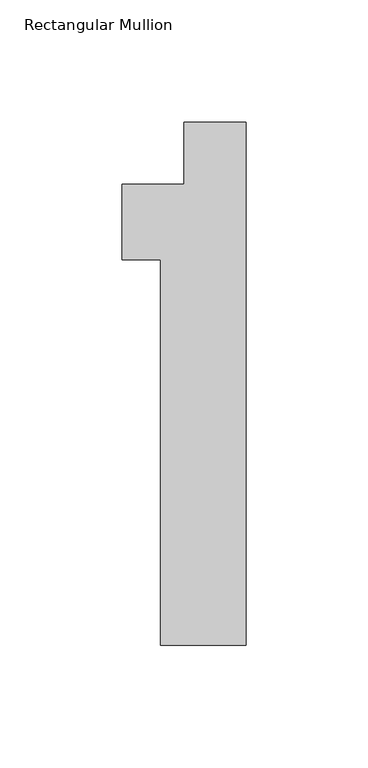
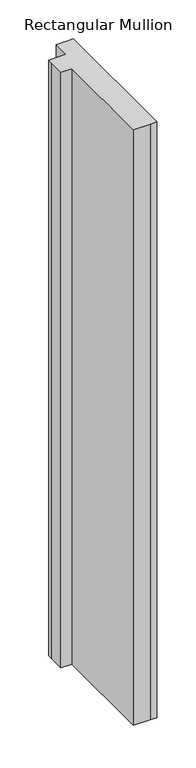
"""IFC4 building model written with IfcOpenShell, lengths in millimetres: member geometry, Rectangular Mullion."""

from ifc_helpers import new_model, si_unit, frame, origin, place, context, project, spatial, polyline, outline, extrude, source, transform, mapped, element, save


def rectangular_mullion_fb296648(model_context):
    return source(origin(), model_context, "Body", "SweptSolid", [
        extrude(outline(polyline([(-9.525, 0.0), (0.0, 0.0), (0.0, -214.3125), (-9.525, -214.3125), (-34.925, -214.3125), (-34.925, -56.388), (-50.8, -56.388), (-50.8, -31.75), (-50.8, -25.4), (-25.4000001, -25.4), (-25.4000001, 0.0), (-12.7, 0.0), (-9.525, 0.0)])), frame((0.0, 0.0, -933.45), z_axis=(0.0, 0.0, 1.0), x_axis=(1.0, 0.0, 0.0)), (0.0, 0.0, 1.0), 933.45),
    ])


if __name__ == "__main__":
    model = new_model("IFC4")
    model_context = context("Model", 3, world=origin())
    ifc_project = project(units=[si_unit("LENGTHUNIT", "METRE", prefix="MILLI")], contexts=[model_context])
    site = spatial("IfcSite", under=ifc_project)
    building = spatial("IfcBuilding", under=site)
    placement = place(None, origin())
    rectangular_mullion_shape = rectangular_mullion_fb296648(model_context)
    element("IfcMember", 1, ObjectType="Rectangular Mullion", at=placement, inside=building, context=model_context, shape_type="MappedRepresentation", body=[
        mapped(rectangular_mullion_shape, transform((0.0, 0.0, 0.0), x_axis=(1.0, 0.0, 0.0), y_axis=(0.0, 1.0, 0.0), z_axis=(0.0, 0.0, 1.0))),
    ])
    save(model, "model.ifc")
